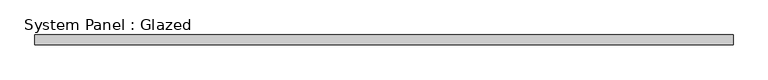
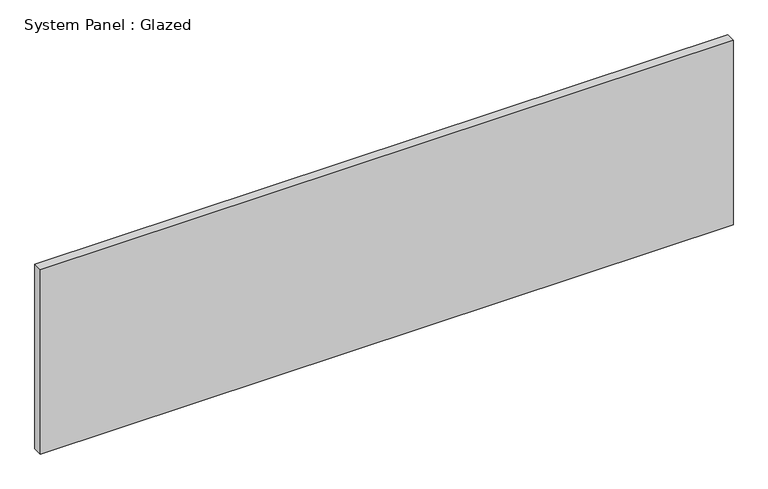
"""IFC4 building model written with IfcOpenShell, lengths in millimetres: plate geometry, System Panel : Glazed."""

import ifcopenshell
import ifcopenshell.guid

model = None  # the IFC model being written
_history = None  # IfcOwnerHistory: only IFC2X3 demands one
_inside = {}  # id of a spatial element -> (the spatial element, [elements in it])
_under = {}  # id of a project, library or spatial element -> (it, [spatial elements below it])
_declared = {}  # id of a project -> (the project, [libraries it declares])
_typed = {}  # id of a type object -> (the type object, [elements of that type])
_made_of = {}  # id of a material, layer set ... -> (it, [elements and type objects made of it])


def new_model(schema):
    """Start an empty IFC model of exactly this schema.

    Asked for "IFC4X3", IfcOpenShell would pick the latest addendum, in which some entities
    have other attributes; the version numbers below select the first issue.
    IFC2X3 requires an IfcOwnerHistory on every rooted entity: one is made here for all.
    """
    global model, _history
    if schema == "IFC4X3":
        model = ifcopenshell.file(schema_version=(4, 3, 0, 0))
    else:
        model = ifcopenshell.file(schema=schema)
    _inside.clear()
    _under.clear()
    _declared.clear()
    _typed.clear()
    _made_of.clear()
    _history = None
    if model.schema == "IFC2X3":
        org = make("IfcOrganization", Name="unknown")
        user = make(
            "IfcPersonAndOrganization",
            ThePerson=make("IfcPerson", FamilyName="unknown"),
            TheOrganization=org,
        )
        app = make(
            "IfcApplication",
            ApplicationDeveloper=org,
            Version="unknown",
            ApplicationFullName="unknown",
            ApplicationIdentifier="unknown",
        )
        _history = make(
            "IfcOwnerHistory",
            OwningUser=user,
            OwningApplication=app,
            ChangeAction="ADDED",
            CreationDate=0,
        )
    return model


def make(cls, **values):
    """One entity of the class cls with the attributes given. An attribute that is None is left unset."""
    return model.create_entity(
        cls, **{name: value for name, value in values.items() if value is not None}
    )


def rooted(cls, **values):
    """An entity with a GlobalId (a new one), such as an element, a storey or a relation."""
    return make(cls, GlobalId=ifcopenshell.guid.new(), OwnerHistory=_history, **values)


def si_unit(unit_type, name, prefix=None):
    """IfcSIUnit, for example si_unit("LENGTHUNIT", "METRE", prefix="MILLI")."""
    return make("IfcSIUnit", UnitType=unit_type, Prefix=prefix, Name=name)


def assignment(units):
    """IfcUnitAssignment: the units of a project."""
    return None if units is None else make("IfcUnitAssignment", Units=units)


def point(xyz):
    """IfcCartesianPoint."""
    return None if xyz is None else make("IfcCartesianPoint", Coordinates=xyz)


def direction(xyz):
    """IfcDirection."""
    return None if xyz is None else make("IfcDirection", DirectionRatios=xyz)


def frame(location, z_axis=None, x_axis=None):
    """IfcAxis2Placement3D, a coordinate frame: its origin and axes. An axis left out is left unset."""
    return make(
        "IfcAxis2Placement3D",
        Location=point(location),
        Axis=direction(z_axis),
        RefDirection=direction(x_axis),
    )


def origin():
    """The frame at (0, 0, 0) with its axes left unset."""
    return frame((0.0, 0.0, 0.0))


def origin_with_axes():
    """The frame at (0, 0, 0) with the z axis (0, 0, 1) and the x axis (1, 0, 0) written out."""
    return frame((0.0, 0.0, 0.0), z_axis=(0.0, 0.0, 1.0), x_axis=(1.0, 0.0, 0.0))


def place(relative_to, where):
    """IfcLocalPlacement: puts the frame where relative to a parent placement (None: the world)."""
    return make(
        "IfcLocalPlacement", PlacementRelTo=relative_to, RelativePlacement=where
    )


def context(
    kind, dimensions, precision=None, world=None, true_north=None, identifier=None
):
    """IfcGeometricRepresentationContext, for example the 3D "Model" context."""
    return make(
        "IfcGeometricRepresentationContext",
        ContextIdentifier=identifier,
        ContextType=kind,
        CoordinateSpaceDimension=dimensions,
        Precision=precision,
        WorldCoordinateSystem=world,
        TrueNorth=true_north,
    )


def project(units=None, contexts=None):
    """IfcProject with its units and contexts."""
    return rooted(
        "IfcProject",
        Name="project",
        RepresentationContexts=contexts,
        UnitsInContext=assignment(units),
    )


def spatial(cls, under=None, at=None, **own):
    """A site, building, storey or space (cls), placed at a placement, below another one or the project."""
    s = rooted(cls, ObjectPlacement=at, **own)
    if under is not None:
        _under.setdefault(under.id(), (under, []))[1].append(s)
    return s


def polyline(points):
    """IfcPolyline through the points."""
    return make("IfcPolyline", Points=[point(p) for p in points])


def outline(outer, holes=None, kind="AREA"):
    """IfcArbitraryClosedProfileDef: a profile drawn as a closed curve; with holes, ...WithVoids."""
    if holes is None:
        return make("IfcArbitraryClosedProfileDef", ProfileType=kind, OuterCurve=outer)
    return make(
        "IfcArbitraryProfileDefWithVoids",
        ProfileType=kind,
        OuterCurve=outer,
        InnerCurves=holes,
    )


def extrude(swept, where, along, depth):
    """IfcExtrudedAreaSolid: the profile swept, set in the frame where, extruded along a direction by depth."""
    return make(
        "IfcExtrudedAreaSolid",
        SweptArea=swept,
        Position=where,
        ExtrudedDirection=direction(along),
        Depth=depth,
    )


def shape(context_of_items, identifier, shape_type, items):
    """IfcShapeRepresentation: the items that make up one representation, for example the "Body"."""
    return make(
        "IfcShapeRepresentation",
        ContextOfItems=context_of_items,
        RepresentationIdentifier=identifier,
        RepresentationType=shape_type,
        Items=items,
    )


def source(mapping_origin, context_of_items, identifier, shape_type, items):
    """IfcRepresentationMap: a shape defined once, which mapped items show again and again."""
    return make(
        "IfcRepresentationMap",
        MappingOrigin=mapping_origin,
        MappedRepresentation=shape(context_of_items, identifier, shape_type, items),
    )


def transform(
    local_origin,
    x_axis=None,
    y_axis=None,
    z_axis=None,
    scale=None,
    scale2=None,
    scale3=None,
    uniform=True,
):
    """IfcCartesianTransformationOperator3D, or its non-uniform kind. x_axis, y_axis, z_axis: its Axis1, 2, 3."""
    if uniform:
        return make(
            "IfcCartesianTransformationOperator3D",
            Axis1=direction(x_axis),
            Axis2=direction(y_axis),
            LocalOrigin=point(local_origin),
            Scale=scale,
            Axis3=direction(z_axis),
        )
    return make(
        "IfcCartesianTransformationOperator3DnonUniform",
        Axis1=direction(x_axis),
        Axis2=direction(y_axis),
        LocalOrigin=point(local_origin),
        Scale=scale,
        Axis3=direction(z_axis),
        Scale2=scale2,
        Scale3=scale3,
    )


def mapped(mapping_source, mapping_target):
    """IfcMappedItem: shows the shape of a source again, moved by a transform."""
    return make(
        "IfcMappedItem", MappingSource=mapping_source, MappingTarget=mapping_target
    )


def made_of(thing, what):
    """Note that an element or type object is made of a material, layer set ...; save() writes the relation."""
    if what is not None:
        _made_of.setdefault(what.id(), (what, []))[1].append(thing)
    return thing


def element(
    cls,
    number,
    at=None,
    inside=None,
    cuts=None,
    type_object=None,
    material=None,
    context=None,
    identifier="Body",
    shape_type=None,
    held_by="IfcProductDefinitionShape",
    body=None,
    shapes=None,
    **own,
):
    """One element of the class cls, such as IfcWall. Its Tag is "e" and its number.

    at: its placement. inside: the storey or other place that contains it. cuts: it is an
    opening in that element (IfcRelVoidsElement). A single representation is given by context,
    identifier, shape_type and body (its items); several are given by shapes. held_by: the class
    of the entity that holds the representations. save() writes the other relations.
    """
    e = rooted(cls, Tag="e%d" % number, ObjectPlacement=at, **own)
    if body is not None:
        shapes = [shape(context, identifier, shape_type, body)]
    if shapes is not None:
        e.Representation = make(held_by, Representations=shapes)
    if inside is not None:
        _inside.setdefault(inside.id(), (inside, []))[1].append(e)
    if cuts is not None:
        rooted(
            "IfcRelVoidsElement", RelatingBuildingElement=cuts, RelatedOpeningElement=e
        )
    if type_object is not None:
        _typed.setdefault(type_object.id(), (type_object, []))[1].append(e)
    return made_of(e, material)


def aggregate(whole, parts):
    """IfcRelAggregates: a whole, such as a stair, and the parts it consists of."""
    return rooted("IfcRelAggregates", RelatingObject=whole, RelatedObjects=parts)


def save(model, path):
    """Write the relations noted so far, then the file.

    IfcRelAggregates (storeys below a building ...), IfcRelContainedInSpatialStructure (elements
    in a storey), IfcRelDefinesByType, IfcRelAssociatesMaterial and IfcRelDeclares: one each for
    every whole, place, type object, material and project.
    """
    for whole, parts in _under.values():
        aggregate(whole, parts)
    for where, things in _inside.values():
        rooted(
            "IfcRelContainedInSpatialStructure",
            RelatedElements=things,
            RelatingStructure=where,
        )
    for kind, things in _typed.values():
        rooted("IfcRelDefinesByType", RelatedObjects=things, RelatingType=kind)
    for what, things in _made_of.values():
        rooted("IfcRelAssociatesMaterial", RelatedObjects=things, RelatingMaterial=what)
    for by, libraries in _declared.values():
        rooted("IfcRelDeclares", RelatingContext=by, RelatedDefinitions=libraries)
    model.write(path)


def system_panel_glazed_f6ae7dae(model_context):
    return source(origin(), model_context, "Body", "SweptSolid", [
        extrude(outline(polyline([(914.4, 19.05), (-914.4, 19.05), (-914.4, 44.45), (914.4, 44.45), (914.4, 19.05)])), origin_with_axes(), (0.0, 0.0, 1.0), 514.35),
    ])


if __name__ == "__main__":
    model = new_model("IFC4")
    model_context = context("Model", 3, world=origin())
    ifc_project = project(units=[si_unit("LENGTHUNIT", "METRE", prefix="MILLI")], contexts=[model_context])
    site = spatial("IfcSite", under=ifc_project)
    building = spatial("IfcBuilding", under=site)
    placement = place(None, origin())
    system_panel_glazed_shape = system_panel_glazed_f6ae7dae(model_context)
    element("IfcPlate", 1, ObjectType="System Panel : Glazed", at=placement, inside=building, context=model_context, shape_type="MappedRepresentation", body=[
        mapped(system_panel_glazed_shape, transform((0.0, 0.0, 0.0), x_axis=(1.0, 0.0, 0.0), y_axis=(0.0, 1.0, 0.0), z_axis=(0.0, 0.0, 1.0))),
    ])
    save(model, "model.ifc")
